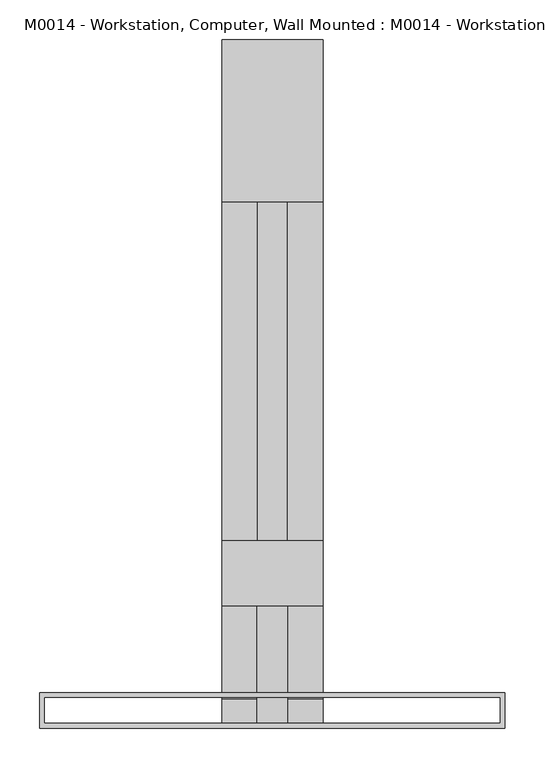
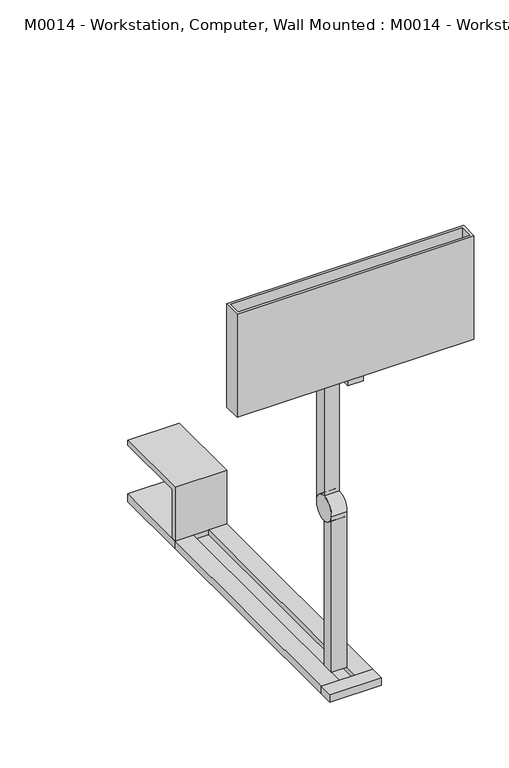
"""IFC4 building model written with IfcOpenShell, lengths in millimetres: proxy geometry, M0014 - Workstation, Computer, Wall Mounted : M0014 - Workstation, Computer, Wall Mounted."""

from ifc_helpers import new_model, si_unit, point, frame, frame_2d, origin, origin_with_axes, place, context, project, spatial, polyline, circle_curve, trimmed, segment, composite_curve, outline, extrude, source, transform, mapped, element, save


def m0014_workstation_computer_wall_mounted_m0014_workstation_b8d67a36(model_context):
    return source(origin(), model_context, "Body", "SweptSolid", [
        extrude(outline(composite_curve([segment(trimmed(circle_curve(frame_2d((101.6, 429.26)), 31.75), [point((101.6, 461.01))], [point((101.6, 397.51))], False, "CARTESIAN"), True, "CONTINUOUS"), segment(trimmed(circle_curve(frame_2d((101.6, 429.26)), 31.75), [point((101.6, 397.51))], [point((101.6, 461.01))], False, "CARTESIAN"), True, "CONTINUOUS")], self_intersect=False)), frame((-19.05, 0.0, 0.0), z_axis=(1.0, 0.0, 0.0), x_axis=(0.0, 1.0, 0.0)), (0.0, 0.0, 1.0), 38.1),
        extrude(outline(composite_curve([segment(polyline([(101.6, 397.51), (101.6, 20.32), (69.85, 20.32), (69.85, 429.26)]), True, "CONTINUOUS"), segment(trimmed(circle_curve(frame_2d((101.6, 429.26)), 31.75), [point((69.85, 429.26))], [point((101.6, 397.51))], True, "CARTESIAN"), True, "CONTINUOUS")], self_intersect=False)), frame((-19.05, 0.0, 0.0), z_axis=(1.0, 0.0, 0.0), x_axis=(0.0, 1.0, 0.0)), (0.0, 0.0, 1.0), 38.1),
        extrude(outline(composite_curve([segment(trimmed(circle_curve(frame_2d((101.6, 429.26)), 31.75), [point((133.35, 429.26))], [point((101.6, 461.01))], True, "CARTESIAN"), True, "CONTINUOUS"), segment(polyline([(101.6, 461.01), (101.6, 810.26), (133.35, 810.26), (133.35, 429.26)]), True, "CONTINUOUS")], self_intersect=False)), frame((-19.05, 0.0, 0.0), z_axis=(1.0, 0.0, 0.0), x_axis=(0.0, 1.0, 0.0)), (0.0, 0.0, 1.0), 38.1),
        extrude(outline(polyline([(292.1, 44.45), (292.1, 0.0), (-292.1, 0.0), (-292.1, 44.45), (292.1, 44.45)]), holes=[polyline([(285.75, 38.1), (-285.75, 38.1), (-285.75, 6.35), (285.75, 6.35), (285.75, 38.1)])]), frame((0.0, 0.0, 822.96), z_axis=(0.0, 0.0, 1.0), x_axis=(1.0, 0.0, 0.0)), (0.0, 0.0, 1.0), 269.24),
        extrude(outline(polyline([(63.5, 36.4221334), (63.5, 0.0), (-63.5, 0.0), (-63.5, 36.4221334), (63.5, 36.4221334)])), origin_with_axes(), (0.0, 0.0, 1.0), 20.32),
        extrude(outline(polyline([(20.32, -63.5), (0.0, -63.5), (0.0, 63.5), (20.32, 63.5), (20.32, 19.05), (7.62, 19.05), (7.62, -19.05), (20.32, -19.05), (20.32, -63.5)])), frame((0.0, 36.4221334, 0.0), z_axis=(0.0, 1.0, 0.0), x_axis=(0.0, 0.0, 1.0)), (0.0, 0.0, 1.0), 623.9778666),
        extrude(outline(polyline([(673.1, 147.32), (673.1, 20.32), (660.4, 20.32), (660.4, 160.02), (863.6, 160.02), (863.6, 147.32), (673.1, 147.32)])), frame((-63.5, 0.0, 0.0), z_axis=(1.0, 0.0, 0.0), x_axis=(0.0, 1.0, 0.0)), (0.0, 0.0, 1.0), 127.0),
        extrude(outline(polyline([(63.5, 153.4975917), (-63.5, 153.4975917), (-63.5, 234.95), (63.5, 234.95), (63.5, 153.4975917)])), frame((0.0, 0.0, 822.96), z_axis=(0.0, 0.0, 1.0), x_axis=(1.0, 0.0, 0.0)), (0.0, 0.0, 1.0), 12.7),
        extrude(outline(polyline([(19.05, 203.2), (19.05, 0.0), (-19.05, 0.0), (-19.05, 203.2), (19.05, 203.2)])), frame((0.0, 0.0, 810.26), z_axis=(0.0, 0.0, 1.0), x_axis=(1.0, 0.0, 0.0)), (0.0, 0.0, 1.0), 12.7),
        extrude(outline(polyline([(63.5, 863.6), (63.5, 660.4), (-63.5, 660.4), (-63.5, 863.6), (63.5, 863.6)])), origin_with_axes(), (0.0, 0.0, 1.0), 20.32),
    ])


if __name__ == "__main__":
    model = new_model("IFC4")
    model_context = context("Model", 3, world=origin())
    ifc_project = project(units=[si_unit("LENGTHUNIT", "METRE", prefix="MILLI")], contexts=[model_context])
    site = spatial("IfcSite", under=ifc_project)
    building = spatial("IfcBuilding", under=site)
    placement = place(None, origin())
    m0014_workstation_computer_wall_mounted_m0014_workstation_shape = m0014_workstation_computer_wall_mounted_m0014_workstation_b8d67a36(model_context)
    element("IfcBuildingElementProxy", 1, Name="M0014 - Workstation, Computer, Wall Mounted : M0014 - Workstation, Computer, Wall Mounted", ObjectType="M0014 - Workstation, Computer, Wall Mounted : M0014 - Workstation, Computer, Wall Mounted", at=placement, inside=building, context=model_context, shape_type="MappedRepresentation", body=[
        mapped(m0014_workstation_computer_wall_mounted_m0014_workstation_shape, transform((0.0, 0.0, 0.0), x_axis=(1.0, 0.0, 0.0), y_axis=(0.0, 1.0, 0.0), z_axis=(0.0, 0.0, 1.0))),
    ])
    save(model, "model.ifc")
